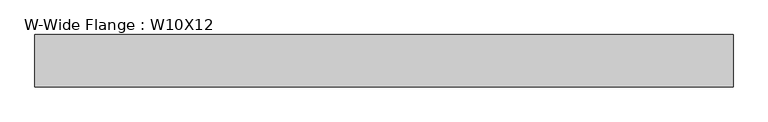
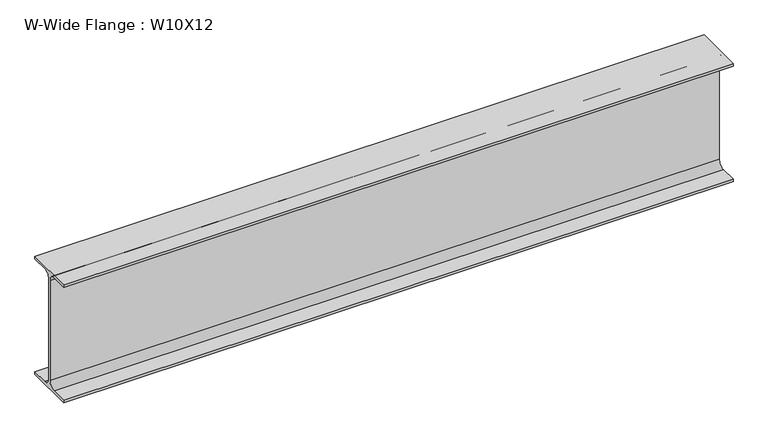
"""IFC4 building model written with IfcOpenShell, lengths in millimetres: beam geometry, W-Wide Flange : W10X12."""

from ifc_helpers import new_model, si_unit, point, frame, frame_2d, origin, place, context, project, spatial, polyline, circle_curve, trimmed, segment, composite_curve, outline, extrude, source, transform, mapped, element, save


def w_wide_flange_w10x12_9f84804b(model_context):
    return source(origin(), model_context, "Body", "SweptSolid", [
        extrude(outline(composite_curve([segment(polyline([(50.3039062, -120.0050781), (50.3039062, -125.3628906), (-50.3039063, -125.3628906), (-50.3039063, -120.0050781), (-16.1230469, -120.0050781)]), True, "CONTINUOUS"), segment(trimmed(circle_curve(frame_2d((-16.1230469, -106.3128906)), 13.6921875), [point((-16.1230469, -120.0050781))], [point((-2.4308594, -106.3128906))], True, "CARTESIAN"), True, "CONTINUOUS"), segment(polyline([(-2.4308594, -106.3128906), (-2.4308594, 106.3128906)]), True, "CONTINUOUS"), segment(trimmed(circle_curve(frame_2d((-16.1230469, 106.3128906)), 13.6921875), [point((-2.4308594, 106.3128906))], [point((-16.1230469, 120.0050781))], True, "CARTESIAN"), True, "CONTINUOUS"), segment(polyline([(-16.1230469, 120.0050781), (-50.3039063, 120.0050781), (-50.3039063, 125.3628906), (50.3039062, 125.3628906), (50.3039062, 120.0050781), (16.1230469, 120.0050781)]), True, "CONTINUOUS"), segment(trimmed(circle_curve(frame_2d((16.1230469, 106.3128906)), 13.6921875), [point((16.1230469, 120.0050781))], [point((2.4308594, 106.3128906))], True, "CARTESIAN"), True, "CONTINUOUS"), segment(polyline([(2.4308594, 106.3128906), (2.4308594, -106.3128906)]), True, "CONTINUOUS"), segment(trimmed(circle_curve(frame_2d((16.1230469, -106.3128906)), 13.6921875), [point((2.4308594, -106.3128906))], [point((16.1230469, -120.0050781))], True, "CARTESIAN"), True, "CONTINUOUS"), segment(polyline([(16.1230469, -120.0050781), (50.3039062, -120.0050781)]), True, "CONTINUOUS")], self_intersect=False)), frame((-698.896875, 0.0, 0.0), z_axis=(1.0, 0.0, 0.0), x_axis=(0.0, 1.0, 0.0)), (0.0, 0.0, 1.0), 1343.1738281),
    ])


if __name__ == "__main__":
    model = new_model("IFC4")
    model_context = context("Model", 3, world=origin())
    ifc_project = project(units=[si_unit("LENGTHUNIT", "METRE", prefix="MILLI")], contexts=[model_context])
    site = spatial("IfcSite", under=ifc_project)
    building = spatial("IfcBuilding", under=site)
    placement = place(None, origin())
    w_wide_flange_w10x12_shape = w_wide_flange_w10x12_9f84804b(model_context)
    element("IfcBeam", 1, ObjectType="W-Wide Flange : W10X12", at=placement, inside=building, context=model_context, shape_type="MappedRepresentation", body=[
        mapped(w_wide_flange_w10x12_shape, transform((0.0, 0.0, 0.0), x_axis=(1.0, 0.0, 0.0), y_axis=(0.0, 1.0, 0.0), z_axis=(0.0, 0.0, 1.0))),
    ])
    save(model, "model.ifc")
